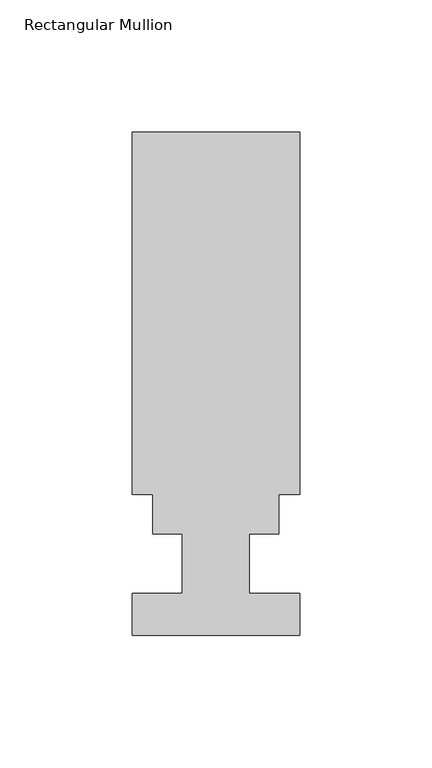
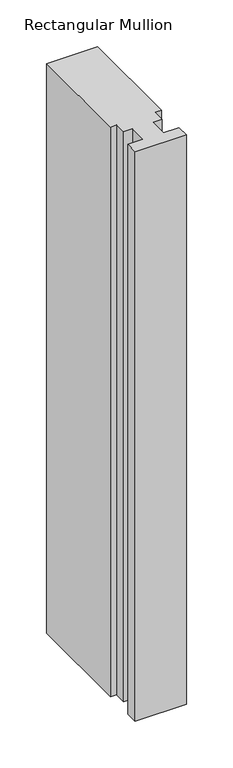
"""IFC4 building model written with IfcOpenShell, lengths in millimetres: member geometry, Rectangular Mullion."""

from ifc_helpers import new_model, si_unit, frame, origin, place, context, project, spatial, polyline, outline, extrude, source, transform, mapped, element, save


def rectangular_mullion_dd545dc9(model_context):
    return source(origin(), model_context, "Body", "SweptSolid", [
        extrude(outline(polyline([(31.75, 53.0629813), (23.8252, 53.0629813), (23.8252, 38.0007812), (12.7, 38.0007812), (12.7, 15.5217812), (31.75, 15.5217812), (31.75, -0.3278188), (-31.75, -0.3278188), (-31.75, 15.5217812), (-12.7, 15.5217812), (-12.7, 38.0007812), (-23.8252, 38.0007812), (-23.8252, 53.0629813), (-31.75, 53.0629813), (-31.75, 190.4007812), (31.75, 190.4007812), (31.75, 53.0629813)])), frame((0.0, 0.0, -746.2855689), z_axis=(0.0, 0.0, 1.0), x_axis=(1.0, 0.0, 0.0)), (0.0, 0.0, 1.0), 746.2855689),
    ])


if __name__ == "__main__":
    model = new_model("IFC4")
    model_context = context("Model", 3, world=origin())
    ifc_project = project(units=[si_unit("LENGTHUNIT", "METRE", prefix="MILLI")], contexts=[model_context])
    site = spatial("IfcSite", under=ifc_project)
    building = spatial("IfcBuilding", under=site)
    placement = place(None, origin())
    rectangular_mullion_shape = rectangular_mullion_dd545dc9(model_context)
    element("IfcMember", 1, ObjectType="Rectangular Mullion", at=placement, inside=building, context=model_context, shape_type="MappedRepresentation", body=[
        mapped(rectangular_mullion_shape, transform((0.0, 0.0, 0.0), x_axis=(1.0, 0.0, 0.0), y_axis=(0.0, 1.0, 0.0), z_axis=(0.0, 0.0, 1.0))),
    ])
    save(model, "model.ifc")
